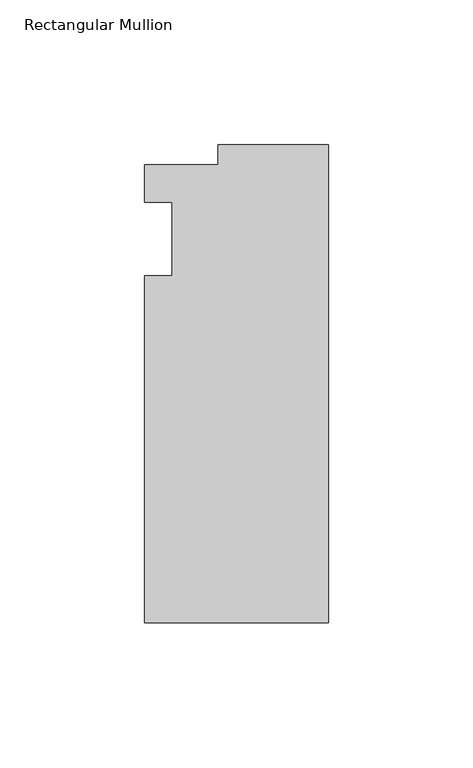
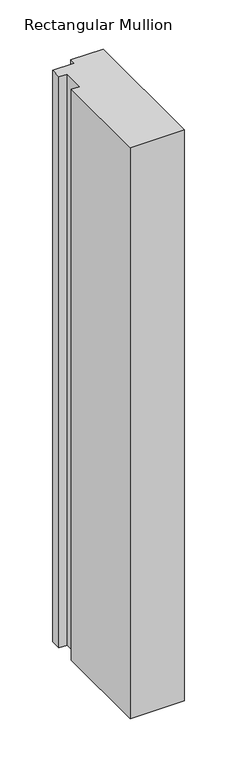
"""IFC4 building model written with IfcOpenShell, lengths in millimetres: member geometry, Rectangular Mullion."""

from ifc_helpers import new_model, si_unit, frame, origin, place, context, project, spatial, polyline, outline, extrude, source, transform, mapped, element, save


def rectangular_mullion_c3b45db4(model_context):
    return source(origin(), model_context, "Body", "SweptSolid", [
        extrude(outline(polyline([(-38.1, 32.54375), (0.0, 32.54375), (0.0, -132.55625), (-63.5, -132.55625), (-63.5, -12.7), (-53.975, -12.7), (-53.975, 12.7), (-63.5, 12.7), (-63.5, 25.58415), (-38.1, 25.58415), (-38.1, 32.54375)])), frame((0.0, 0.0, -708.7886596), z_axis=(0.0, 0.0, 1.0), x_axis=(1.0, 0.0, 0.0)), (0.0, 0.0, 1.0), 708.7886596),
    ])


if __name__ == "__main__":
    model = new_model("IFC4")
    model_context = context("Model", 3, world=origin())
    ifc_project = project(units=[si_unit("LENGTHUNIT", "METRE", prefix="MILLI")], contexts=[model_context])
    site = spatial("IfcSite", under=ifc_project)
    building = spatial("IfcBuilding", under=site)
    placement = place(None, origin())
    rectangular_mullion_shape = rectangular_mullion_c3b45db4(model_context)
    element("IfcMember", 1, ObjectType="Rectangular Mullion", at=placement, inside=building, context=model_context, shape_type="MappedRepresentation", body=[
        mapped(rectangular_mullion_shape, transform((0.0, 0.0, 0.0), x_axis=(1.0, 0.0, 0.0), y_axis=(0.0, 1.0, 0.0), z_axis=(0.0, 0.0, 1.0))),
    ])
    save(model, "model.ifc")
